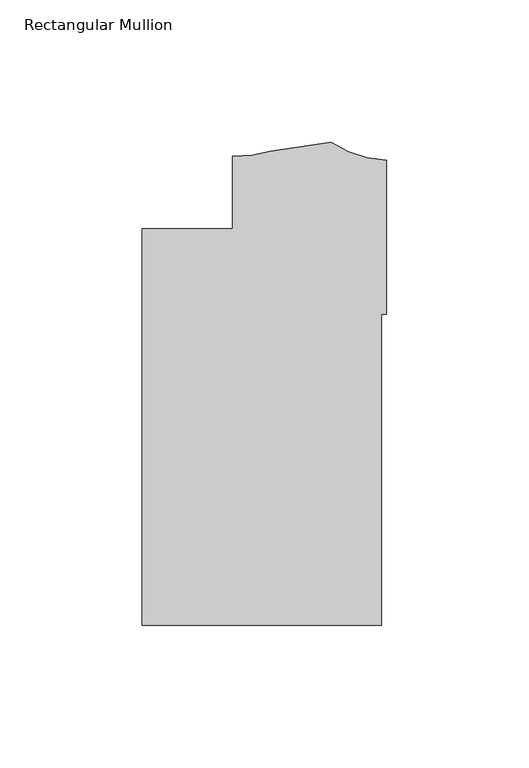
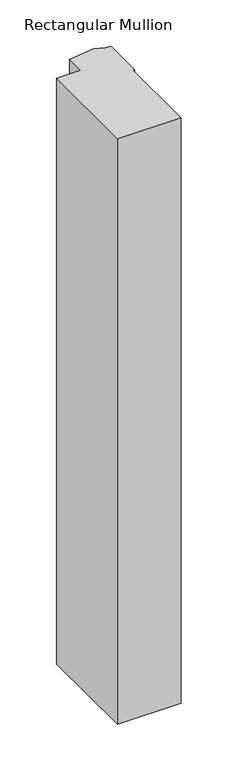
"""IFC4 building model written with IfcOpenShell, lengths in millimetres: member geometry, Rectangular Mullion."""

from ifc_helpers import new_model, si_unit, point, frame, frame_2d, origin, place, context, project, spatial, polyline, circle_curve, trimmed, segment, composite_curve, outline, extrude, source, transform, mapped, element, save


def rectangular_mullion_6dff1480(model_context):
    return source(origin(), model_context, "Body", "SweptSolid", [
        extrude(outline(composite_curve([segment(polyline([(-85.8370969, -44.4063437), (-54.0870969, -44.4063437), (-54.0870969, -19.0063459)]), True, "CONTINUOUS"), segment(trimmed(circle_curve(frame_2d((-53.2410377, 24.9774418)), 43.9919242), [point((-54.0870969, -19.0063459))], [point((-40.7045247, -17.1903805))], True, "CARTESIAN"), True, "CONTINUOUS"), segment(trimmed(circle_curve(frame_2d((-48.5375949, 109.5693832)), 127.0015539), [point((-40.7045247, -17.1903805))], [point((-19.5523137, -14.0803162))], True, "CARTESIAN"), True, "CONTINUOUS"), segment(trimmed(circle_curve(frame_2d((1.9614918, 18.9744588)), 39.4393455), [point((-19.5523137, -14.0803162))], [point((0.0, -20.4160798))], True, "CARTESIAN"), True, "CONTINUOUS"), segment(polyline([(0.0, -20.4160798), (0.0, -74.4466097), (-1.8773984, -74.4466097), (-1.8773984, -183.5983438), (-85.8370969, -183.5983438), (-85.8370969, -44.4063437)]), True, "CONTINUOUS")], self_intersect=False)), frame((0.0, 0.0, -819.150004), z_axis=(0.0, 0.0, 1.0), x_axis=(1.0, 0.0, 0.0)), (0.0, 0.0, 1.0), 819.150004),
    ])


if __name__ == "__main__":
    model = new_model("IFC4")
    model_context = context("Model", 3, world=origin())
    ifc_project = project(units=[si_unit("LENGTHUNIT", "METRE", prefix="MILLI")], contexts=[model_context])
    site = spatial("IfcSite", under=ifc_project)
    building = spatial("IfcBuilding", under=site)
    placement = place(None, origin())
    rectangular_mullion_shape = rectangular_mullion_6dff1480(model_context)
    element("IfcMember", 1, ObjectType="Rectangular Mullion", at=placement, inside=building, context=model_context, shape_type="MappedRepresentation", body=[
        mapped(rectangular_mullion_shape, transform((0.0, 0.0, 0.0), x_axis=(1.0, 0.0, 0.0), y_axis=(0.0, 1.0, 0.0), z_axis=(0.0, 0.0, 1.0))),
    ])
    save(model, "model.ifc")
